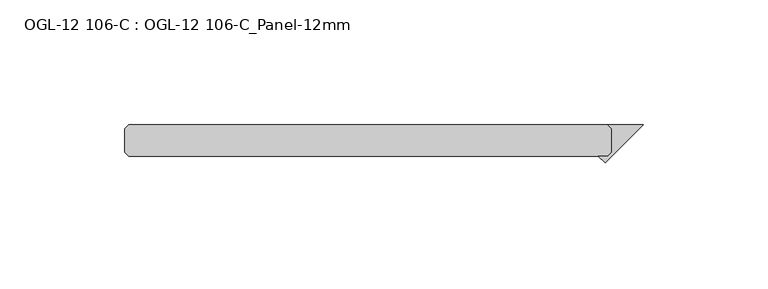
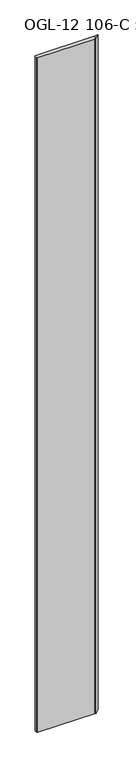
"""IFC4 building model written with IfcOpenShell, lengths in millimetres: plate geometry, OGL-12 106-C : OGL-12 106-C_Panel-12mm."""

from ifc_helpers import new_model, si_unit, origin, origin_with_axes, place, context, project, spatial, polyline, outline, extrude, source, transform, mapped, element, save


def ogl_12_106_c_ogl_12_106_c_panel_12mm_052fd279(model_context):
    return source(origin(), model_context, "Body", "SweptSolid", [
        extrude(outline(polyline([(94.6282577, 4.7625), (93.0407577, 6.35), (107.3282577, 6.35), (91.9182257, -9.060032), (89.2081937, -6.35), (93.0407577, -6.35), (94.6282577, -4.7625), (94.6282577, 4.7625)])), origin_with_axes(), (0.0, 0.0, 1.0), 2339.9738578),
        extrude(outline(polyline([(93.0407577, 6.35), (94.6282577, 4.7625), (94.6282577, -4.7625), (93.0407577, -6.35), (-99.3907577, -6.35), (-100.9782577, -4.7625), (-100.9782577, 4.7625), (-99.3907577, 6.35), (93.0407577, 6.35)])), origin_with_axes(), (0.0, 0.0, 1.0), 2339.9738578),
    ])


if __name__ == "__main__":
    model = new_model("IFC4")
    model_context = context("Model", 3, world=origin())
    ifc_project = project(units=[si_unit("LENGTHUNIT", "METRE", prefix="MILLI")], contexts=[model_context])
    site = spatial("IfcSite", under=ifc_project)
    building = spatial("IfcBuilding", under=site)
    placement = place(None, origin())
    ogl_12_106_c_ogl_12_106_c_panel_12mm_shape = ogl_12_106_c_ogl_12_106_c_panel_12mm_052fd279(model_context)
    element("IfcPlate", 1, ObjectType="OGL-12 106-C : OGL-12 106-C_Panel-12mm", at=placement, inside=building, context=model_context, shape_type="MappedRepresentation", body=[
        mapped(ogl_12_106_c_ogl_12_106_c_panel_12mm_shape, transform((0.0, 0.0, 0.0), x_axis=(1.0, 0.0, 0.0), y_axis=(0.0, 1.0, 0.0), z_axis=(0.0, 0.0, 1.0))),
    ])
    save(model, "model.ifc")
